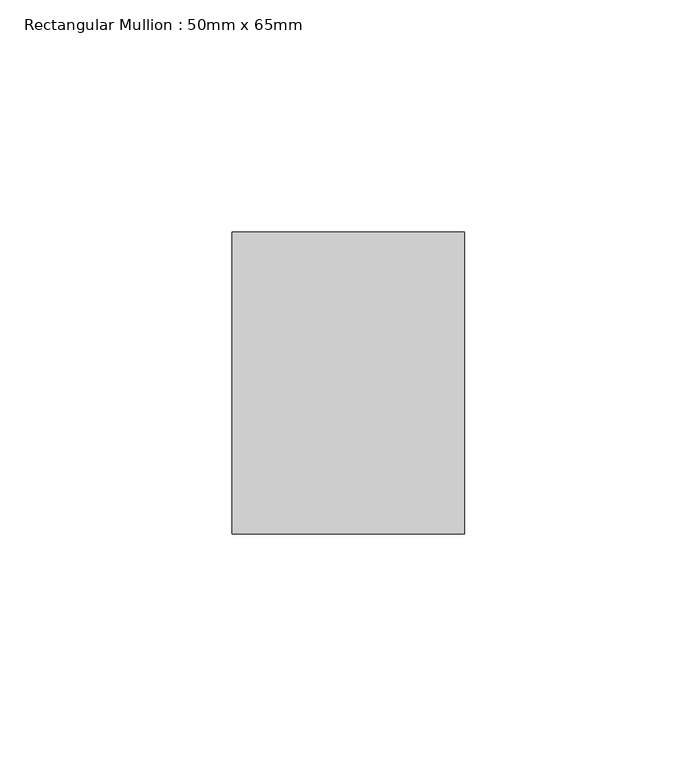
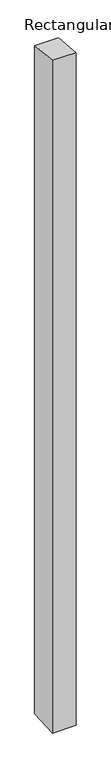
"""IFC4 building model written with IfcOpenShell, lengths in millimetres: member geometry, Rectangular Mullion : 50mm x 65mm."""

from ifc_helpers import new_model, si_unit, frame, origin, place, context, project, spatial, polyline, outline, extrude, source, transform, mapped, element, save


def rectangular_mullion_50mm_x_65mm_c0d8025c(model_context):
    return source(origin(), model_context, "Body", "SweptSolid", [
        extrude(outline(polyline([(-32.5, 3.1469355), (32.5, -3.1469357), (32.5, -1497.8334475), (-32.5, -1502.165402), (-32.5, 3.1469355)])), frame((-25.0, 0.0, 0.0), z_axis=(1.0, 0.0, 0.0), x_axis=(0.0, 1.0, 0.0)), (0.0, 0.0, 1.0), 50.0),
    ])


if __name__ == "__main__":
    model = new_model("IFC4")
    model_context = context("Model", 3, world=origin())
    ifc_project = project(units=[si_unit("LENGTHUNIT", "METRE", prefix="MILLI")], contexts=[model_context])
    site = spatial("IfcSite", under=ifc_project)
    building = spatial("IfcBuilding", under=site)
    placement = place(None, origin())
    rectangular_mullion_50mm_x_65mm_shape = rectangular_mullion_50mm_x_65mm_c0d8025c(model_context)
    element("IfcMember", 1, ObjectType="Rectangular Mullion : 50mm x 65mm", at=placement, inside=building, context=model_context, shape_type="MappedRepresentation", body=[
        mapped(rectangular_mullion_50mm_x_65mm_shape, transform((0.0, 0.0, 0.0), x_axis=(1.0, 0.0, 0.0), y_axis=(0.0, 1.0, 0.0), z_axis=(0.0, 0.0, 1.0))),
    ])
    save(model, "model.ifc")
